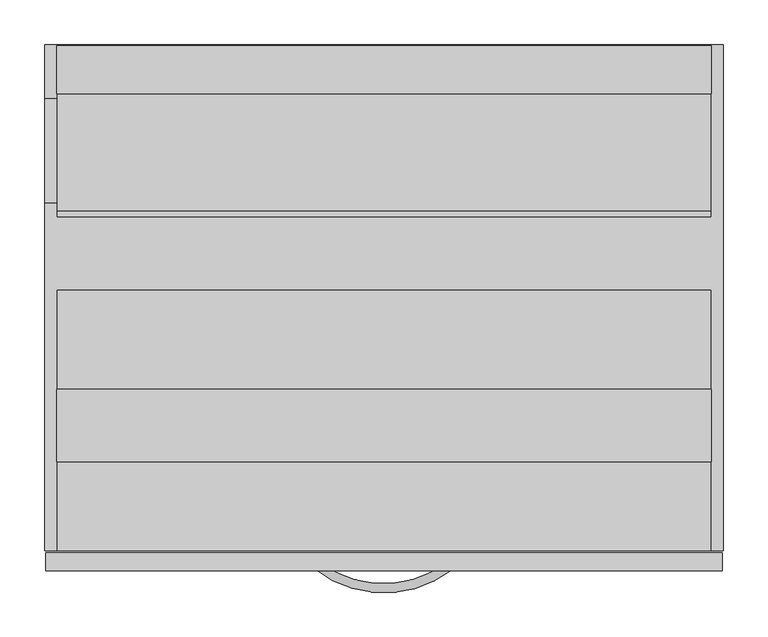
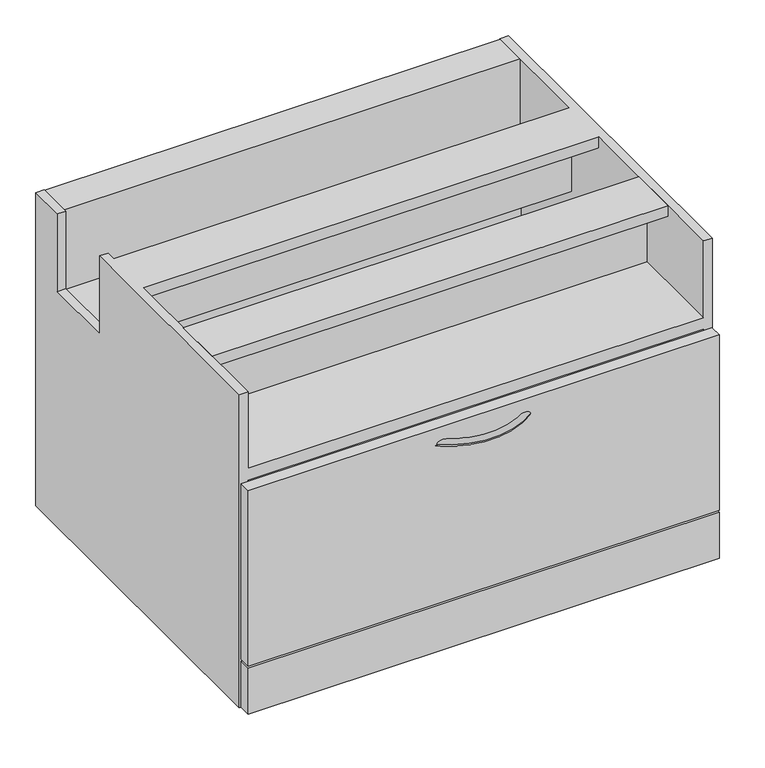
"""IFC4 building model written with IfcOpenShell, lengths in millimetres: furniture geometry."""

from ifc_helpers import new_model, si_unit, point, frame, frame_2d, origin, origin_with_axes, place, context, project, spatial, polyline, circle_curve, ellipse_curve, trimmed, segment, composite_curve, outline, extrude, faceted_brep, source, transform, mapped, element, save
from ifc_brep_helpers import plane_surface, revolved_surface, advanced_brep


def furniture_2f02026c(model_context):
    return source(origin(), model_context, "Body", "SolidModel", [
        extrude(outline(polyline([(731.7363219, 203.45654), (731.7363219, 122.0754609), (-2.6276215, 122.0754609), (-2.6276215, 203.45654), (731.7363219, 203.45654)])), frame((0.0, 0.0, 527.5326014), z_axis=(0.0, 0.0, 1.0), x_axis=(1.0, 0.0, 0.0)), (0.0, 0.0, 1.0), 18.5673986),
        advanced_brep(
        [(435.0455709, 9.0357884, 368.2790769), (441.1819579, 0.938236, 368.2790769), (293.3313148, 9.5942624, 368.2790769), (287.131297, 1.5453259, 368.2790769)],
        [
            (0, 1, circle_curve(frame((438.1137644, 4.9870122, 368.2790769), z_axis=(0.797003184649824, 0.6039751018527489, 0.0), x_axis=(0.6039751018527489, -0.797003184649824, 0.0)), 5.08)),
            (1, 0, circle_curve(frame((438.1137644, 4.9870122, 368.2790769), z_axis=(0.797003184649824, 0.6039751018527489, 0.0), x_axis=(0.6039751018527489, -0.797003184649824, 0.0)), 5.08)),
            (2, 3, circle_curve(frame((290.2313059, 5.5697942, 368.2790769), z_axis=(-0.7922181580746404, 0.6102379781829579, 0.0), x_axis=(-0.6102379781829579, -0.7922181580746404, 0.0)), 5.08)),
            (3, 2, circle_curve(frame((290.2313059, 5.5697942, 368.2790769), z_axis=(-0.7922181580746404, 0.6102379781829579, 0.0), x_axis=(-0.6102379781829579, -0.7922181580746404, 0.0)), 5.08)),
            (3, 1, circle_curve(frame((364.5539219, 102.056293, 368.2790769), z_axis=(0.0, 0.0, 1.0), x_axis=(0.6039751018527488, -0.7970031846498241, 0.0)), 126.8728393)),
            (0, 2, circle_curve(frame((364.5539219, 102.056293, 368.2790769), z_axis=(0.0, 0.0, -1.0), x_axis=(0.6039751018527488, -0.7970031846498241, 0.0)), 116.7128393)),
        ],
        [
            plane_surface(frame((438.1608606, 4.9248642, 670.1234375), z_axis=(0.7970031846498242, 0.6039751018527488, 0.0), x_axis=(0.0, 0.0, 1.0))),
            plane_surface(frame((290.1837214, 5.5080193, 670.1234375), z_axis=(-0.7922181580746404, 0.610237978182958, 0.0), x_axis=(0.0, 0.0, 1.0))),
            revolved_surface(trimmed(ellipse_curve(frame((438.1137644, 4.9870122, 368.2790769), z_axis=(0.797003184649824, 0.6039751018527489, 0.0), x_axis=(0.6039751018527489, -0.797003184649824, 0.0)), 5.08, 5.08), [point((435.0455709, 9.0357884, 368.2790769))], [point((441.1819579, 0.938236, 368.2790769))], True, "CARTESIAN"), (364.5539219, 102.056293, 670.1234375), (0.0, 0.0, -1.0)),
            revolved_surface(trimmed(ellipse_curve(frame((438.1137644, 4.9870122, 368.2790769), z_axis=(0.797003184649824, 0.6039751018527489, 0.0), x_axis=(0.6039751018527489, -0.797003184649824, 0.0)), 5.08, 5.08), [point((441.1819579, 0.938236, 368.2790769))], [point((435.0455709, 9.0357884, 368.2790769))], True, "CARTESIAN"), (364.5539219, 102.056293, 670.1234375), (0.0, 0.0, -1.0)),
        ],
        [
            (0, [[1, 2]]),
            (1, [[3, 4]]),
            (2, [[5, -1, 6, -4]]),
            (3, [[-6, -2, -5, -3]]),
        ],
    ),
        extrude(outline(polyline([(744.0562901, -5.41e-05), (-14.9477997, -5.41e-05), (-14.9477997, 20.1676), (744.0562901, 20.1676), (744.0562901, -5.41e-05)])), frame((0.0, 0.0, 96.5962023), z_axis=(0.0, 0.0, 1.0), x_axis=(1.0, 0.0, 0.0)), (0.0, 0.0, 1.0), 298.8056075),
        extrude(outline(polyline([(589.0244768, 534.6110937), (587.449682, 534.6110937), (587.449682, 544.1360838), (536.6496941, 544.1360838), (536.6496941, 407.941272), (390.5996699, 407.941272), (390.5996699, 480.6360816), (403.2996941, 480.6360816), (403.2996941, 479.0612867), (392.1744647, 479.0612867), (392.1744647, 409.516072), (535.074876, 409.516072), (535.074876, 545.7108838), (589.0244768, 545.7108838), (589.0244768, 534.6110937)])), frame((-2.6276215, 0.0, 0.0), z_axis=(1.0, 0.0, 0.0), x_axis=(0.0, 1.0, 0.0)), (0.0, 0.0, 1.0), 734.3639434),
        faceted_brep([(-2.6276215, 590.55, 546.1), (-16.4460781, 590.55, 546.1), (-16.4460781, 530.5501116, 546.1), (-2.6276215, 530.5501116, 546.1), (-16.4460781, 22.606, 546.1), (-2.6276215, 22.606, 546.1), (-2.6276215, 315.23178, 546.1), (731.7363219, 315.23178, 546.1), (731.7363219, 22.606, 546.1), (745.5539219, 22.606, 546.1), (745.5539219, 590.55, 546.1), (731.7363219, 590.55, 546.1), (731.7363219, 396.6134405, 546.1), (-2.6276215, 396.6134405, 546.1), (-2.6276215, 412.5501195, 546.1), (-16.4460781, 412.5501195, 546.1), (-16.4460781, 22.606, 12.7), (-16.4460781, 590.55, 12.7), (745.5539219, 590.55, 12.7), (745.5539219, 22.606, 12.7), (-2.6276215, 590.55, 357.924846), (731.7363219, 590.55, 357.924846), (731.7363219, 590.55, 276.5249817), (-2.6276215, 590.55, 276.5249817), (-2.6276215, 590.55, 94.6988163), (731.7363219, 590.55, 94.6988163), (-16.4460781, 412.5501195, 413.7659869), (-16.4460781, 530.5501116, 413.7659869), (731.7363219, 22.606, 415.7014792), (-2.6276215, 22.606, 415.7014792), (731.7363219, 22.606, 94.6988163), (-2.6276215, 22.606, 94.6988163), (-2.6276215, 22.606, 395.4018099), (731.7363219, 22.606, 395.4018099), (-2.6276215, 22.606, 73.5075998), (731.7363219, 22.606, 73.5075998), (731.7363219, 22.606, 32.8675902), (-2.6276215, 22.606, 32.8675902), (-2.6276215, 179.7303948, 415.7014792), (-2.6276215, 179.7303948, 491.4734652), (-2.6276215, 199.8979864, 491.4734652), (-2.6276215, 199.8979864, 395.4018099), (-2.6276215, 530.5501116, 94.6988163), (-2.6276215, 530.5501116, 390.8454182), (-2.6276215, 540.1234405, 390.8454182), (-2.6276215, 540.1234405, 94.6988163), (-2.6276215, 570.4586043, 276.5249817), (-2.6276215, 570.4586043, 357.924846), (-2.6276215, 530.5501116, 413.7659869), (-2.6276215, 412.5501195, 413.7659869), (-2.6276215, 396.6134405, 527.5326014), (-2.6276215, 315.23178, 527.5326014), (-2.6276215, 570.4586043, 32.8675902), (-2.6276215, 570.4586043, 73.5075998), (731.7363219, 315.23178, 527.5326014), (731.7363219, 396.6134405, 527.5326014), (731.7363219, 570.4586043, 357.924846), (731.7363219, 570.4586043, 276.5249817), (731.7363219, 540.1234405, 94.6988163), (731.7363219, 540.1234405, 390.8454182), (731.7363219, 530.5501116, 390.8454182), (731.7363219, 530.5501116, 94.6988163), (731.7363219, 199.8979864, 395.4018099), (731.7363219, 199.8979864, 491.4734652), (731.7363219, 179.7303948, 491.4734652), (731.7363219, 179.7303948, 415.7014792), (731.7363219, 570.4586043, 73.5075998), (731.7363219, 570.4586043, 32.8675902)], [[[0, 1, 2, 3]], [[4, 5, 6, 7, 8, 9, 10, 11, 12, 13, 14, 15]], [[16, 17, 18, 19]], [[1, 0, 20, 21, 11, 10, 18, 17], [22, 23, 24, 25]], [[17, 16, 4, 15, 26, 27, 2, 1]], [[5, 4, 16, 19, 9, 8, 28, 29], [30, 31, 32, 33], [34, 35, 36, 37]], [[6, 5, 29, 38, 39, 40, 41, 32, 31, 42, 43, 44, 45, 24, 23, 46, 47, 20, 0, 3, 48, 49, 14, 13, 50, 51]], [[34, 37, 52, 53]], [[8, 7, 54, 55, 12, 11, 21, 56, 57, 22, 25, 58, 59, 60, 61, 30, 33, 62, 63, 64, 65, 28]], [[36, 35, 66, 67]], [[10, 9, 19, 18]], [[56, 47, 46, 57]], [[57, 46, 23, 22]], [[47, 56, 21, 20]], [[25, 24, 45, 58]], [[58, 45, 44, 59]], [[59, 44, 43, 60]], [[60, 43, 42, 61]], [[61, 42, 31, 30]], [[35, 34, 53, 66]], [[66, 53, 52, 67]], [[67, 52, 37, 36]], [[7, 6, 51, 54]], [[54, 51, 50, 55]], [[55, 50, 13, 12]], [[64, 39, 38, 65]], [[65, 38, 29, 28]], [[33, 32, 41, 62]], [[62, 41, 40, 63]], [[39, 64, 63, 40]], [[49, 26, 15, 14]], [[26, 49, 48, 27]], [[27, 48, 3, 2]]]),
        faceted_brep([(744.0562901, -5.41e-05, 93.5990016), (-14.9477997, -5.41e-05, 93.5990016), (-14.9477997, -5.41e-05, 15.1892005), (744.0562901, -5.41e-05, 15.1892005), (744.0562901, 20.1673196, 93.5990016), (744.0562901, 20.1673196, 15.1892005), (-14.9477997, 20.1673196, 15.1892005), (-14.9477997, 20.1673196, 93.5990016)], [[[0, 1, 2, 3]], [[4, 5, 6, 7]], [[1, 0, 4, 7]], [[2, 1, 7, 6]], [[3, 2, 6, 5]], [[0, 3, 5, 4]]]),
        extrude(outline(composite_curve([segment(trimmed(circle_curve(frame_2d((19.0968082, 555.2063789)), 14.478), [point((4.6188082, 555.2063789))], [point((33.5748082, 555.2063789))], False, "CARTESIAN"), True, "CONTINUOUS"), segment(trimmed(circle_curve(frame_2d((19.0968082, 555.2063789)), 14.478), [point((33.5748082, 555.2063789))], [point((4.6188082, 555.2063789))], False, "CARTESIAN"), True, "CONTINUOUS")], self_intersect=False)), origin_with_axes(), (0.0, 0.0, 1.0), 12.7),
        extrude(outline(composite_curve([segment(trimmed(circle_curve(frame_2d((709.4419262, 555.2063789)), 14.478), [point((694.9639262, 555.2063789))], [point((723.9199262, 555.2063789))], False, "CARTESIAN"), True, "CONTINUOUS"), segment(trimmed(circle_curve(frame_2d((709.4419262, 555.2063789)), 14.478), [point((723.9199262, 555.2063789))], [point((694.9639262, 555.2063789))], False, "CARTESIAN"), True, "CONTINUOUS")], self_intersect=False)), origin_with_axes(), (0.0, 0.0, 1.0), 12.7),
        extrude(outline(composite_curve([segment(trimmed(circle_curve(frame_2d((19.0968082, 47.520502)), 14.478), [point((4.6188082, 47.520502))], [point((33.5748082, 47.520502))], False, "CARTESIAN"), True, "CONTINUOUS"), segment(trimmed(circle_curve(frame_2d((19.0968082, 47.520502)), 14.478), [point((33.5748082, 47.520502))], [point((4.6188082, 47.520502))], False, "CARTESIAN"), True, "CONTINUOUS")], self_intersect=False)), origin_with_axes(), (0.0, 0.0, 1.0), 12.7),
        extrude(outline(composite_curve([segment(trimmed(circle_curve(frame_2d((709.4419262, 47.520502)), 14.478), [point((694.9639262, 47.520502))], [point((723.9199262, 47.520502))], False, "CARTESIAN"), True, "CONTINUOUS"), segment(trimmed(circle_curve(frame_2d((709.4419262, 47.520502)), 14.478), [point((723.9199262, 47.520502))], [point((694.9639262, 47.520502))], False, "CARTESIAN"), True, "CONTINUOUS")], self_intersect=False)), origin_with_axes(), (0.0, 0.0, 1.0), 12.7),
    ])


if __name__ == "__main__":
    model = new_model("IFC4")
    model_context = context("Model", 3, world=origin())
    ifc_project = project(units=[si_unit("LENGTHUNIT", "METRE", prefix="MILLI")], contexts=[model_context])
    site = spatial("IfcSite", under=ifc_project)
    building = spatial("IfcBuilding", under=site)
    placement = place(None, origin())
    furniture_shape = furniture_2f02026c(model_context)
    element("IfcFurniture", 1, at=placement, inside=building, context=model_context, shape_type="MappedRepresentation", body=[
        mapped(furniture_shape, transform((0.0, 0.0, 0.0), x_axis=(1.0, 0.0, 0.0), y_axis=(0.0, 1.0, 0.0), z_axis=(0.0, 0.0, 1.0))),
    ])
    save(model, "model.ifc")
